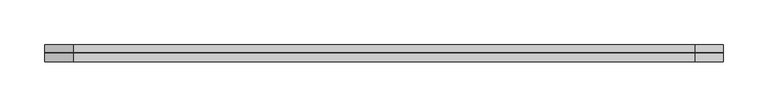
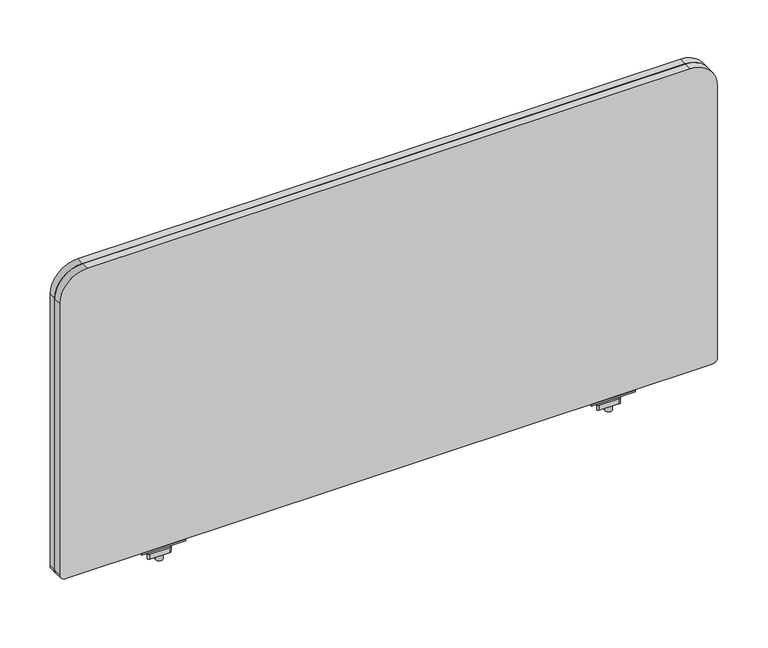
"""IFC4 building model written with IfcOpenShell, lengths in millimetres: furniture geometry."""

from ifc_helpers import new_model, si_unit, frame, origin, place, context, project, spatial, polyline, circle_curve, source, transform, mapped, element, save
from ifc_brep_helpers import plane_surface, cylinder_surface, revolved_surface, advanced_brep


def furniture_f7dd6837(model_context):
    return source(origin(), model_context, "Body", "AdvancedBrep", [
        advanced_brep(
        [(147.1673004, -29.196837, 670.6616072), (147.1673004, -33.5530914, 671.3021931), (147.1673004, -43.8905804, 671.3021931), (147.1673004, -48.246837, 670.6616072), (147.1673004, -48.246837, 668.8074326), (147.1673004, -29.196837, 668.8074326), (96.3673035, -29.196837, 670.6616072), (96.3673035, -29.196837, 668.8074326), (96.3673035, -48.246837, 668.8074326), (96.3673035, -48.246837, 670.6616072), (96.3673035, -43.8905804, 671.3021931), (96.3673035, -33.5530914, 671.3021931), (117.6745233, -38.7342719, 668.8074326), (125.6574767, -38.7342719, 668.8074326), (125.6574767, -38.7342719, 671.3021931), (117.6745233, -38.7342719, 671.3021931), (117.6745233, -38.7342719, 650.2879234), (125.6574767, -38.7342719, 650.2879234), (117.6745233, -38.7342719, 676.3883652), (125.6574767, -38.7342719, 676.3883652), (117.6745233, -38.7342719, 665.4211567), (125.6574767, -38.7342719, 665.4211567), (125.6574767, -38.7342719, 659.0711809), (117.6745233, -38.7342719, 659.0711809), (111.3499918, -33.0068357, 665.4211567), (105.1908209, -43.6748356, 665.4211567), (106.5106433, -45.9608347, 665.4211567), (129.5432346, -45.9608347, 665.4211567), (132.1828771, -44.4368361, 665.4211567), (138.3420487, -33.7688351, 665.4211567), (137.0222256, -31.4828349, 665.4211567), (113.9896383, -31.4828349, 665.4211567), (111.3499918, -33.0068357, 659.0711809), (113.9896383, -31.4828349, 659.0711809), (137.0222256, -31.4828349, 659.0711809), (138.3420487, -33.7688351, 659.0711809), (132.1828771, -44.4368361, 659.0711809), (129.5432346, -45.9608347, 659.0711809), (106.5106433, -45.9608347, 659.0711809), (105.1908209, -43.6748356, 659.0711809)],
        [
            (0, 1),
            (1, 2),
            (2, 3),
            (3, 4),
            (4, 5),
            (5, 0),
            (6, 7),
            (7, 8),
            (8, 9),
            (9, 10),
            (10, 11),
            (11, 6),
            (5, 7),
            (6, 0),
            (4, 8),
            (12, 13, circle_curve(frame((121.666, -38.7342719, 668.8074326), z_axis=(0.0, 0.0, 1.0), x_axis=(1.0, 0.0, 0.0)), 3.9914767)),
            (13, 12, circle_curve(frame((121.666, -38.7342719, 668.8074326), z_axis=(0.0, 0.0, 1.0), x_axis=(1.0, 0.0, 0.0)), 3.9914767)),
            (3, 9),
            (2, 10),
            (1, 11),
            (14, 15, circle_curve(frame((121.666, -38.7342719, 671.3021931), z_axis=(0.0, 0.0, -1.0), x_axis=(1.0, 0.0, 0.0)), 3.9914767)),
            (15, 14, circle_curve(frame((121.666, -38.7342719, 671.3021931), z_axis=(0.0, 0.0, -1.0), x_axis=(1.0, 0.0, 0.0)), 3.9914767)),
            (16, 17, circle_curve(frame((121.666, -38.7342719, 650.2879234), z_axis=(0.0, 0.0, -1.0), x_axis=(1.0, 0.0, 0.0)), 3.9914767)),
            (17, 16, circle_curve(frame((121.666, -38.7342719, 650.2879234), z_axis=(0.0, 0.0, -1.0), x_axis=(1.0, 0.0, 0.0)), 3.9914767)),
            (18, 19, circle_curve(frame((121.666, -38.7342719, 676.3883652), z_axis=(0.0, 0.0, 1.0), x_axis=(1.0, 0.0, 0.0)), 3.9914767)),
            (19, 18, circle_curve(frame((121.666, -38.7342719, 676.3883652), z_axis=(0.0, 0.0, 1.0), x_axis=(1.0, 0.0, 0.0)), 3.9914767)),
            (12, 20),
            (20, 21, circle_curve(frame((121.666, -38.7342719, 665.4211567), z_axis=(0.0, 0.0, 1.0), x_axis=(1.0, 0.0, 0.0)), 3.9914767)),
            (21, 13),
            (17, 22),
            (22, 23, circle_curve(frame((121.666, -38.7342719, 659.0711809), z_axis=(0.0, 0.0, -1.0), x_axis=(1.0, 0.0, 0.0)), 3.9914767)),
            (23, 16),
            (18, 15),
            (14, 19),
            (21, 20, circle_curve(frame((121.666, -38.7342719, 665.4211567), z_axis=(0.0, 0.0, 1.0), x_axis=(1.0, 0.0, 0.0)), 3.9914767)),
            (23, 22, circle_curve(frame((121.666, -38.7342719, 659.0711809), z_axis=(0.0, 0.0, -1.0), x_axis=(1.0, 0.0, 0.0)), 3.9914767)),
            (24, 25),
            (25, 26, circle_curve(frame((106.5106433, -44.4368352, 665.4211567), z_axis=(0.0, 0.0, 1.0), x_axis=(1.0, 0.0, 0.0)), 1.5239995)),
            (26, 27),
            (27, 28, circle_curve(frame((129.5432346, -42.9128382, 665.4211567), z_axis=(0.0, 0.0, 1.0), x_axis=(1.0, 0.0, 0.0)), 3.0479965)),
            (28, 29),
            (29, 30, circle_curve(frame((137.0222256, -33.0068351, 665.4211567), z_axis=(0.0, 0.0, 1.0), x_axis=(1.0, 0.0, 0.0)), 1.5240003)),
            (30, 31),
            (31, 24, circle_curve(frame((113.9896383, -34.5308359, 665.4211567), z_axis=(0.0, 0.0, 1.0), x_axis=(1.0, 0.0, 0.0)), 3.048001)),
            (32, 33, circle_curve(frame((113.9896383, -34.5308359, 659.0711809), z_axis=(0.0, 0.0, -1.0), x_axis=(1.0, 0.0, 0.0)), 3.048001)),
            (33, 34),
            (34, 35, circle_curve(frame((137.0222256, -33.0068351, 659.0711809), z_axis=(0.0, 0.0, -1.0), x_axis=(1.0, 0.0, 0.0)), 1.5240003)),
            (35, 36),
            (36, 37, circle_curve(frame((129.5432346, -42.9128382, 659.0711809), z_axis=(0.0, 0.0, -1.0), x_axis=(1.0, 0.0, 0.0)), 3.0479965)),
            (37, 38),
            (38, 39, circle_curve(frame((106.5106433, -44.4368352, 659.0711809), z_axis=(0.0, 0.0, -1.0), x_axis=(1.0, 0.0, 0.0)), 1.5239995)),
            (39, 32),
            (24, 32),
            (39, 25),
            (38, 26),
            (37, 27),
            (36, 28),
            (35, 29),
            (34, 30),
            (33, 31),
        ],
        [
            plane_surface(frame((147.1673004, -33.5530914, 671.3021931), z_axis=(1.0000000000000002, 0.0, 0.0), x_axis=(0.0, -0.9893604345476915, 0.14548515577749913))),
            plane_surface(frame((96.3673035, -33.5530914, 671.3021931), z_axis=(-1.0000000000000002, 0.0, 0.0), x_axis=(0.0, 0.9893604345476915, -0.14548515577749913))),
            plane_surface(frame((147.1673004, -29.196837, 668.8074326), z_axis=(0.0, 1.0, 0.0), x_axis=(-1.0, 0.0, 0.0))),
            plane_surface(frame((147.1673004, -48.246837, 668.8074326), z_axis=(0.0, 0.0, -1.0), x_axis=(-1.0, 0.0, 0.0))),
            plane_surface(frame((147.1673004, -48.246837, 670.6616072), z_axis=(0.0, -1.0, 0.0), x_axis=(-1.0, 0.0, 0.0))),
            plane_surface(frame((147.1673004, -43.8905804, 671.3021931), z_axis=(0.0, -0.1454850815406733, 0.9893604454641917), x_axis=(-1.0, 0.0, 0.0))),
            plane_surface(frame((147.1673004, -33.5530914, 671.3021931), z_axis=(0.0, 0.0, 1.0), x_axis=(-1.0, 0.0, 0.0))),
            plane_surface(frame((147.1673004, -29.196837, 670.6616072), z_axis=(0.0, 0.14548515577749913, 0.9893604345476915), x_axis=(-1.0, 0.0, 0.0))),
            plane_surface(frame((125.6574767, -38.7342719, 650.2879234), z_axis=(0.0, 0.0, -1.0), x_axis=(0.0, -1.0, 0.0))),
            plane_surface(frame((125.6574767, -38.7342719, 676.3883652), z_axis=(0.0, 0.0, 1.0), x_axis=(0.0, 1.0, 0.0))),
            cylinder_surface(frame((121.666, -38.7342719, 650.2879234), z_axis=(0.0, 0.0, 1.0), x_axis=(1.0, 0.0, 0.0)), 3.9914767),
            plane_surface(frame((105.1908201, -43.6748369, 665.4211567), z_axis=(0.0, 0.0, 1.0000000000000002), x_axis=(-0.4999998964528706, -0.8660254635673935, 0.0))),
            plane_surface(frame((105.1908201, -43.6748369, 659.0711809), z_axis=(0.0, 0.0, -1.0000000000000002), x_axis=(0.4999998964528706, 0.8660254635673935, 0.0))),
            plane_surface(frame((111.3499918, -33.0068357, 665.4211567), z_axis=(-0.8660254635673935, 0.4999998964528706, 0.0), x_axis=(0.0, 0.0, -1.0))),
            cylinder_surface(frame((106.5106433, -44.4368352, 659.0711809), z_axis=(0.0, 0.0, 1.0), x_axis=(1.0, 0.0, 0.0)), 1.5239995),
            plane_surface(frame((106.5106433, -45.9608347, 665.4211567), z_axis=(0.0, -1.0, 0.0), x_axis=(0.0, 0.0, -1.0))),
            cylinder_surface(frame((129.5432346, -42.9128382, 659.0711809), z_axis=(0.0, 0.0, 1.0), x_axis=(1.0, 0.0, 0.0)), 3.0479965),
            plane_surface(frame((132.1828771, -44.4368361, 665.4211567), z_axis=(0.8660254635674228, -0.4999998964528197, 0.0), x_axis=(0.0, 0.0, -1.0))),
            cylinder_surface(frame((137.0222256, -33.0068351, 659.0711809), z_axis=(0.0, 0.0, 1.0), x_axis=(1.0, 0.0, 0.0)), 1.5240003),
            plane_surface(frame((137.0222256, -31.4828349, 665.4211567), z_axis=(0.0, 1.0, 0.0), x_axis=(0.0, 0.0, -1.0))),
            cylinder_surface(frame((113.9896383, -34.5308359, 659.0711809), z_axis=(0.0, 0.0, 1.0), x_axis=(1.0, 0.0, 0.0)), 3.048001),
        ],
        [
            (0, [[1, 2, 3, 4, 5, 6]]),
            (1, [[7, 8, 9, 10, 11, 12]]),
            (2, [[-6, 13, -7, 14]]),
            (3, [[-5, 15, -8, -13], [16, 17]]),
            (4, [[-4, 18, -9, -15]]),
            (5, [[-3, 19, -10, -18]]),
            (6, [[-2, 20, -11, -19], [21, 22]]),
            (7, [[-1, -14, -12, -20]]),
            (8, [[23, 24]]),
            (9, [[25, 26]]),
            (10, [[-16, 27, 28, 29]]),
            (10, [[-24, 30, 31, 32]]),
            (10, [[-25, 33, -21, 34]]),
            (10, [[-17, -29, 35, -27]]),
            (10, [[-23, -32, 36, -30]]),
            (10, [[-26, -34, -22, -33]]),
            (11, [[37, 38, 39, 40, 41, 42, 43, 44], [-28, -35]]),
            (12, [[45, 46, 47, 48, 49, 50, 51, 52], [-31, -36]]),
            (13, [[-37, 53, -52, 54]]),
            (14, [[-38, -54, -51, 55]]),
            (15, [[-39, -55, -50, 56]]),
            (16, [[-40, -56, -49, 57]]),
            (17, [[-41, -57, -48, 58]]),
            (18, [[-42, -58, -47, 59]]),
            (19, [[-43, -59, -46, 60]]),
            (20, [[-44, -60, -45, -53]]),
        ],
    ),
        advanced_brep(
        [(665.8353004, -29.196837, 670.6616072), (665.8353004, -33.5530914, 671.3021931), (665.8353004, -43.8905804, 671.3021931), (665.8353004, -48.246837, 670.6616072), (665.8353004, -48.246837, 668.8074326), (665.8353004, -29.196837, 668.8074326), (615.0353035, -29.196837, 670.6616072), (615.0353035, -29.196837, 668.8074326), (615.0353035, -48.246837, 668.8074326), (615.0353035, -48.246837, 670.6616072), (615.0353035, -43.8905804, 671.3021931), (615.0353035, -33.5530914, 671.3021931), (636.3425233, -38.7342719, 668.8074326), (644.3254767, -38.7342719, 668.8074326), (644.3254767, -38.7342719, 671.3021931), (636.3425233, -38.7342719, 671.3021931), (636.3425233, -38.7342719, 650.2879234), (644.3254767, -38.7342719, 650.2879234), (636.3425233, -38.7342719, 676.3883652), (644.3254767, -38.7342719, 676.3883652), (636.3425233, -38.7342719, 665.4211567), (644.3254767, -38.7342719, 665.4211567), (644.3254767, -38.7342719, 659.0711809), (636.3425233, -38.7342719, 659.0711809), (630.0179918, -33.0068357, 665.4211567), (623.8588209, -43.6748356, 665.4211567), (625.1786433, -45.9608347, 665.4211567), (648.2112346, -45.9608347, 665.4211567), (650.8508771, -44.4368361, 665.4211567), (657.0100487, -33.7688351, 665.4211567), (655.6902256, -31.4828349, 665.4211567), (632.6576383, -31.4828349, 665.4211567), (630.0179918, -33.0068357, 659.0711809), (632.6576383, -31.4828349, 659.0711809), (655.6902256, -31.4828349, 659.0711809), (657.0100487, -33.7688351, 659.0711809), (650.8508771, -44.4368361, 659.0711809), (648.2112346, -45.9608347, 659.0711809), (625.1786433, -45.9608347, 659.0711809), (623.8588209, -43.6748356, 659.0711809)],
        [
            (0, 1),
            (1, 2),
            (2, 3),
            (3, 4),
            (4, 5),
            (5, 0),
            (6, 7),
            (7, 8),
            (8, 9),
            (9, 10),
            (10, 11),
            (11, 6),
            (5, 7),
            (6, 0),
            (4, 8),
            (12, 13, circle_curve(frame((640.334, -38.7342719, 668.8074326), z_axis=(0.0, 0.0, 1.0), x_axis=(1.0, 0.0, 0.0)), 3.9914767)),
            (13, 12, circle_curve(frame((640.334, -38.7342719, 668.8074326), z_axis=(0.0, 0.0, 1.0), x_axis=(1.0, 0.0, 0.0)), 3.9914767)),
            (3, 9),
            (2, 10),
            (1, 11),
            (14, 15, circle_curve(frame((640.334, -38.7342719, 671.3021931), z_axis=(0.0, 0.0, -1.0), x_axis=(1.0, 0.0, 0.0)), 3.9914767)),
            (15, 14, circle_curve(frame((640.334, -38.7342719, 671.3021931), z_axis=(0.0, 0.0, -1.0), x_axis=(1.0, 0.0, 0.0)), 3.9914767)),
            (16, 17, circle_curve(frame((640.334, -38.7342719, 650.2879234), z_axis=(0.0, 0.0, -1.0), x_axis=(1.0, 0.0, 0.0)), 3.9914767)),
            (17, 16, circle_curve(frame((640.334, -38.7342719, 650.2879234), z_axis=(0.0, 0.0, -1.0), x_axis=(1.0, 0.0, 0.0)), 3.9914767)),
            (18, 19, circle_curve(frame((640.334, -38.7342719, 676.3883652), z_axis=(0.0, 0.0, 1.0), x_axis=(1.0, 0.0, 0.0)), 3.9914767)),
            (19, 18, circle_curve(frame((640.334, -38.7342719, 676.3883652), z_axis=(0.0, 0.0, 1.0), x_axis=(1.0, 0.0, 0.0)), 3.9914767)),
            (12, 20),
            (20, 21, circle_curve(frame((640.334, -38.7342719, 665.4211567), z_axis=(0.0, 0.0, 1.0), x_axis=(1.0, 0.0, 0.0)), 3.9914767)),
            (21, 13),
            (17, 22),
            (22, 23, circle_curve(frame((640.334, -38.7342719, 659.0711809), z_axis=(0.0, 0.0, -1.0), x_axis=(1.0, 0.0, 0.0)), 3.9914767)),
            (23, 16),
            (18, 15),
            (14, 19),
            (21, 20, circle_curve(frame((640.334, -38.7342719, 665.4211567), z_axis=(0.0, 0.0, 1.0), x_axis=(1.0, 0.0, 0.0)), 3.9914767)),
            (23, 22, circle_curve(frame((640.334, -38.7342719, 659.0711809), z_axis=(0.0, 0.0, -1.0), x_axis=(1.0, 0.0, 0.0)), 3.9914767)),
            (24, 25),
            (25, 26, circle_curve(frame((625.1786433, -44.4368352, 665.4211567), z_axis=(0.0, 0.0, 1.0), x_axis=(1.0, 0.0, 0.0)), 1.5239995)),
            (26, 27),
            (27, 28, circle_curve(frame((648.2112346, -42.9128382, 665.4211567), z_axis=(0.0, 0.0, 1.0), x_axis=(1.0, 0.0, 0.0)), 3.0479965)),
            (28, 29),
            (29, 30, circle_curve(frame((655.6902256, -33.0068351, 665.4211567), z_axis=(0.0, 0.0, 1.0), x_axis=(1.0, 0.0, 0.0)), 1.5240003)),
            (30, 31),
            (31, 24, circle_curve(frame((632.6576383, -34.5308359, 665.4211567), z_axis=(0.0, 0.0, 1.0), x_axis=(1.0, 0.0, 0.0)), 3.048001)),
            (32, 33, circle_curve(frame((632.6576383, -34.5308359, 659.0711809), z_axis=(0.0, 0.0, -1.0), x_axis=(1.0, 0.0, 0.0)), 3.048001)),
            (33, 34),
            (34, 35, circle_curve(frame((655.6902256, -33.0068351, 659.0711809), z_axis=(0.0, 0.0, -1.0), x_axis=(1.0, 0.0, 0.0)), 1.5240003)),
            (35, 36),
            (36, 37, circle_curve(frame((648.2112346, -42.9128382, 659.0711809), z_axis=(0.0, 0.0, -1.0), x_axis=(1.0, 0.0, 0.0)), 3.0479965)),
            (37, 38),
            (38, 39, circle_curve(frame((625.1786433, -44.4368352, 659.0711809), z_axis=(0.0, 0.0, -1.0), x_axis=(1.0, 0.0, 0.0)), 1.5239995)),
            (39, 32),
            (24, 32),
            (39, 25),
            (38, 26),
            (37, 27),
            (36, 28),
            (35, 29),
            (34, 30),
            (33, 31),
        ],
        [
            plane_surface(frame((665.8353004, -33.5530914, 671.3021931), z_axis=(1.0000000000000002, 0.0, 0.0), x_axis=(0.0, -0.9893604345476915, 0.14548515577749913))),
            plane_surface(frame((615.0353035, -33.5530914, 671.3021931), z_axis=(-1.0000000000000002, 0.0, 0.0), x_axis=(0.0, 0.9893604345476915, -0.14548515577749913))),
            plane_surface(frame((665.8353004, -29.196837, 668.8074326), z_axis=(0.0, 1.0, 0.0), x_axis=(-1.0, 0.0, 0.0))),
            plane_surface(frame((665.8353004, -48.246837, 668.8074326), z_axis=(0.0, 0.0, -1.0), x_axis=(-1.0, 0.0, 0.0))),
            plane_surface(frame((665.8353004, -48.246837, 670.6616072), z_axis=(0.0, -1.0, 0.0), x_axis=(-1.0, 0.0, 0.0))),
            plane_surface(frame((665.8353004, -43.8905804, 671.3021931), z_axis=(0.0, -0.1454850815406733, 0.9893604454641917), x_axis=(-1.0, 0.0, 0.0))),
            plane_surface(frame((665.8353004, -33.5530914, 671.3021931), z_axis=(0.0, 0.0, 1.0), x_axis=(-1.0, 0.0, 0.0))),
            plane_surface(frame((665.8353004, -29.196837, 670.6616072), z_axis=(0.0, 0.14548515577749913, 0.9893604345476915), x_axis=(-1.0, 0.0, 0.0))),
            plane_surface(frame((644.3254767, -38.7342719, 650.2879234), z_axis=(0.0, 0.0, -1.0), x_axis=(0.0, -1.0, 0.0))),
            plane_surface(frame((644.3254767, -38.7342719, 676.3883652), z_axis=(0.0, 0.0, 1.0), x_axis=(0.0, 1.0, 0.0))),
            cylinder_surface(frame((640.334, -38.7342719, 650.2879234), z_axis=(0.0, 0.0, 1.0), x_axis=(1.0, 0.0, 0.0)), 3.9914767),
            plane_surface(frame((623.8588201, -43.6748369, 665.4211567), z_axis=(0.0, 0.0, 1.0000000000000002), x_axis=(-0.4999998964528706, -0.8660254635673935, 0.0))),
            plane_surface(frame((623.8588201, -43.6748369, 659.0711809), z_axis=(0.0, 0.0, -1.0000000000000002), x_axis=(0.4999998964528706, 0.8660254635673935, 0.0))),
            plane_surface(frame((630.0179918, -33.0068357, 665.4211567), z_axis=(-0.8660254635673935, 0.4999998964528706, 0.0), x_axis=(0.0, 0.0, -1.0))),
            cylinder_surface(frame((625.1786433, -44.4368352, 659.0711809), z_axis=(0.0, 0.0, 1.0), x_axis=(1.0, 0.0, 0.0)), 1.5239995),
            plane_surface(frame((625.1786433, -45.9608347, 665.4211567), z_axis=(0.0, -1.0, 0.0), x_axis=(0.0, 0.0, -1.0))),
            cylinder_surface(frame((648.2112346, -42.9128382, 659.0711809), z_axis=(0.0, 0.0, 1.0), x_axis=(1.0, 0.0, 0.0)), 3.0479965),
            plane_surface(frame((650.8508771, -44.4368361, 665.4211567), z_axis=(0.8660254635674228, -0.4999998964528197, 0.0), x_axis=(0.0, 0.0, -1.0))),
            cylinder_surface(frame((655.6902256, -33.0068351, 659.0711809), z_axis=(0.0, 0.0, 1.0), x_axis=(1.0, 0.0, 0.0)), 1.5240003),
            plane_surface(frame((655.6902256, -31.4828349, 665.4211567), z_axis=(0.0, 1.0, 0.0), x_axis=(0.0, 0.0, -1.0))),
            cylinder_surface(frame((632.6576383, -34.5308359, 659.0711809), z_axis=(0.0, 0.0, 1.0), x_axis=(1.0, 0.0, 0.0)), 3.048001),
        ],
        [
            (0, [[1, 2, 3, 4, 5, 6]]),
            (1, [[7, 8, 9, 10, 11, 12]]),
            (2, [[-6, 13, -7, 14]]),
            (3, [[-5, 15, -8, -13], [16, 17]]),
            (4, [[-4, 18, -9, -15]]),
            (5, [[-3, 19, -10, -18]]),
            (6, [[-2, 20, -11, -19], [21, 22]]),
            (7, [[-1, -14, -12, -20]]),
            (8, [[23, 24]]),
            (9, [[25, 26]]),
            (10, [[-16, 27, 28, 29]]),
            (10, [[-24, 30, 31, 32]]),
            (10, [[-25, 33, -21, 34]]),
            (10, [[-17, -29, 35, -27]]),
            (10, [[-23, -32, 36, -30]]),
            (10, [[-26, -34, -22, -33]]),
            (11, [[37, 38, 39, 40, 41, 42, 43, 44], [-28, -35]]),
            (12, [[45, 46, 47, 48, 49, 50, 51, 52], [-31, -36]]),
            (13, [[-37, 53, -52, 54]]),
            (14, [[-38, -54, -51, 55]]),
            (15, [[-39, -55, -50, 56]]),
            (16, [[-40, -56, -49, 57]]),
            (17, [[-41, -57, -48, 58]]),
            (18, [[-42, -58, -47, 59]]),
            (19, [[-43, -59, -46, 60]]),
            (20, [[-44, -60, -45, -53]]),
        ],
    ),
        advanced_brep(
        [(665.8353004, -29.196837, 670.6616072), (665.8353004, -33.5530914, 671.3021931), (665.8353004, -43.8905804, 671.3021931), (665.8353004, -48.246837, 670.6616072), (665.8353004, -48.246837, 668.8074326), (665.8353004, -29.196837, 668.8074326), (615.0353035, -29.196837, 670.6616072), (615.0353035, -29.196837, 668.8074326), (615.0353035, -48.246837, 668.8074326), (615.0353035, -48.246837, 670.6616072), (615.0353035, -43.8905804, 671.3021931), (615.0353035, -33.5530914, 671.3021931), (636.3425233, -38.7342719, 668.8074326), (644.3254767, -38.7342719, 668.8074326), (644.3254767, -38.7342719, 671.3021931), (636.3425233, -38.7342719, 671.3021931), (636.3425233, -38.7342719, 650.2879234), (644.3254767, -38.7342719, 650.2879234), (636.3425233, -38.7342719, 676.3883652), (644.3254767, -38.7342719, 676.3883652), (636.3425233, -38.7342719, 665.4211567), (644.3254767, -38.7342719, 665.4211567), (644.3254767, -38.7342719, 659.0711809), (636.3425233, -38.7342719, 659.0711809), (630.0179918, -33.0068357, 665.4211567), (623.8588209, -43.6748356, 665.4211567), (625.1786433, -45.9608347, 665.4211567), (648.2112346, -45.9608347, 665.4211567), (650.8508771, -44.4368361, 665.4211567), (657.0100487, -33.7688351, 665.4211567), (655.6902256, -31.4828349, 665.4211567), (632.6576383, -31.4828349, 665.4211567), (630.0179918, -33.0068357, 659.0711809), (632.6576383, -31.4828349, 659.0711809), (655.6902256, -31.4828349, 659.0711809), (657.0100487, -33.7688351, 659.0711809), (650.8508771, -44.4368361, 659.0711809), (648.2112346, -45.9608347, 659.0711809), (625.1786433, -45.9608347, 659.0711809), (623.8588209, -43.6748356, 659.0711809)],
        [
            (0, 1),
            (1, 2),
            (2, 3),
            (3, 4),
            (4, 5),
            (5, 0),
            (6, 7),
            (7, 8),
            (8, 9),
            (9, 10),
            (10, 11),
            (11, 6),
            (5, 7),
            (6, 0),
            (4, 8),
            (12, 13, circle_curve(frame((640.334, -38.7342719, 668.8074326), z_axis=(0.0, 0.0, 1.0), x_axis=(1.0, 0.0, 0.0)), 3.9914767)),
            (13, 12, circle_curve(frame((640.334, -38.7342719, 668.8074326), z_axis=(0.0, 0.0, 1.0), x_axis=(1.0, 0.0, 0.0)), 3.9914767)),
            (3, 9),
            (2, 10),
            (1, 11),
            (14, 15, circle_curve(frame((640.334, -38.7342719, 671.3021931), z_axis=(0.0, 0.0, -1.0), x_axis=(1.0, 0.0, 0.0)), 3.9914767)),
            (15, 14, circle_curve(frame((640.334, -38.7342719, 671.3021931), z_axis=(0.0, 0.0, -1.0), x_axis=(1.0, 0.0, 0.0)), 3.9914767)),
            (16, 17, circle_curve(frame((640.334, -38.7342719, 650.2879234), z_axis=(0.0, 0.0, -1.0), x_axis=(1.0, 0.0, 0.0)), 3.9914767)),
            (17, 16, circle_curve(frame((640.334, -38.7342719, 650.2879234), z_axis=(0.0, 0.0, -1.0), x_axis=(1.0, 0.0, 0.0)), 3.9914767)),
            (18, 19, circle_curve(frame((640.334, -38.7342719, 676.3883652), z_axis=(0.0, 0.0, 1.0), x_axis=(1.0, 0.0, 0.0)), 3.9914767)),
            (19, 18, circle_curve(frame((640.334, -38.7342719, 676.3883652), z_axis=(0.0, 0.0, 1.0), x_axis=(1.0, 0.0, 0.0)), 3.9914767)),
            (12, 20),
            (20, 21, circle_curve(frame((640.334, -38.7342719, 665.4211567), z_axis=(0.0, 0.0, 1.0), x_axis=(1.0, 0.0, 0.0)), 3.9914767)),
            (21, 13),
            (17, 22),
            (22, 23, circle_curve(frame((640.334, -38.7342719, 659.0711809), z_axis=(0.0, 0.0, -1.0), x_axis=(1.0, 0.0, 0.0)), 3.9914767)),
            (23, 16),
            (18, 15),
            (14, 19),
            (21, 20, circle_curve(frame((640.334, -38.7342719, 665.4211567), z_axis=(0.0, 0.0, 1.0), x_axis=(1.0, 0.0, 0.0)), 3.9914767)),
            (23, 22, circle_curve(frame((640.334, -38.7342719, 659.0711809), z_axis=(0.0, 0.0, -1.0), x_axis=(1.0, 0.0, 0.0)), 3.9914767)),
            (24, 25),
            (25, 26, circle_curve(frame((625.1786433, -44.4368352, 665.4211567), z_axis=(0.0, 0.0, 1.0), x_axis=(1.0, 0.0, 0.0)), 1.5239995)),
            (26, 27),
            (27, 28, circle_curve(frame((648.2112346, -42.9128382, 665.4211567), z_axis=(0.0, 0.0, 1.0), x_axis=(1.0, 0.0, 0.0)), 3.0479965)),
            (28, 29),
            (29, 30, circle_curve(frame((655.6902256, -33.0068351, 665.4211567), z_axis=(0.0, 0.0, 1.0), x_axis=(1.0, 0.0, 0.0)), 1.5240003)),
            (30, 31),
            (31, 24, circle_curve(frame((632.6576383, -34.5308359, 665.4211567), z_axis=(0.0, 0.0, 1.0), x_axis=(1.0, 0.0, 0.0)), 3.048001)),
            (32, 33, circle_curve(frame((632.6576383, -34.5308359, 659.0711809), z_axis=(0.0, 0.0, -1.0), x_axis=(1.0, 0.0, 0.0)), 3.048001)),
            (33, 34),
            (34, 35, circle_curve(frame((655.6902256, -33.0068351, 659.0711809), z_axis=(0.0, 0.0, -1.0), x_axis=(1.0, 0.0, 0.0)), 1.5240003)),
            (35, 36),
            (36, 37, circle_curve(frame((648.2112346, -42.9128382, 659.0711809), z_axis=(0.0, 0.0, -1.0), x_axis=(1.0, 0.0, 0.0)), 3.0479965)),
            (37, 38),
            (38, 39, circle_curve(frame((625.1786433, -44.4368352, 659.0711809), z_axis=(0.0, 0.0, -1.0), x_axis=(1.0, 0.0, 0.0)), 1.5239995)),
            (39, 32),
            (24, 32),
            (39, 25),
            (38, 26),
            (37, 27),
            (36, 28),
            (35, 29),
            (34, 30),
            (33, 31),
        ],
        [
            plane_surface(frame((665.8353004, -33.5530914, 671.3021931), z_axis=(1.0000000000000002, 0.0, 0.0), x_axis=(0.0, -0.9893604345476915, 0.14548515577749913))),
            plane_surface(frame((615.0353035, -33.5530914, 671.3021931), z_axis=(-1.0000000000000002, 0.0, 0.0), x_axis=(0.0, 0.9893604345476915, -0.14548515577749913))),
            plane_surface(frame((665.8353004, -29.196837, 668.8074326), z_axis=(0.0, 1.0, 0.0), x_axis=(-1.0, 0.0, 0.0))),
            plane_surface(frame((665.8353004, -48.246837, 668.8074326), z_axis=(0.0, 0.0, -1.0), x_axis=(-1.0, 0.0, 0.0))),
            plane_surface(frame((665.8353004, -48.246837, 670.6616072), z_axis=(0.0, -1.0, 0.0), x_axis=(-1.0, 0.0, 0.0))),
            plane_surface(frame((665.8353004, -43.8905804, 671.3021931), z_axis=(0.0, -0.1454850815406733, 0.9893604454641917), x_axis=(-1.0, 0.0, 0.0))),
            plane_surface(frame((665.8353004, -33.5530914, 671.3021931), z_axis=(0.0, 0.0, 1.0), x_axis=(-1.0, 0.0, 0.0))),
            plane_surface(frame((665.8353004, -29.196837, 670.6616072), z_axis=(0.0, 0.14548515577749913, 0.9893604345476915), x_axis=(-1.0, 0.0, 0.0))),
            plane_surface(frame((644.3254767, -38.7342719, 650.2879234), z_axis=(0.0, 0.0, -1.0), x_axis=(0.0, -1.0, 0.0))),
            plane_surface(frame((644.3254767, -38.7342719, 676.3883652), z_axis=(0.0, 0.0, 1.0), x_axis=(0.0, 1.0, 0.0))),
            cylinder_surface(frame((640.334, -38.7342719, 650.2879234), z_axis=(0.0, 0.0, 1.0), x_axis=(1.0, 0.0, 0.0)), 3.9914767),
            plane_surface(frame((623.8588201, -43.6748369, 665.4211567), z_axis=(0.0, 0.0, 1.0000000000000002), x_axis=(-0.4999998964528706, -0.8660254635673935, 0.0))),
            plane_surface(frame((623.8588201, -43.6748369, 659.0711809), z_axis=(0.0, 0.0, -1.0000000000000002), x_axis=(0.4999998964528706, 0.8660254635673935, 0.0))),
            plane_surface(frame((630.0179918, -33.0068357, 665.4211567), z_axis=(-0.8660254635673935, 0.4999998964528706, 0.0), x_axis=(0.0, 0.0, -1.0))),
            cylinder_surface(frame((625.1786433, -44.4368352, 659.0711809), z_axis=(0.0, 0.0, 1.0), x_axis=(1.0, 0.0, 0.0)), 1.5239995),
            plane_surface(frame((625.1786433, -45.9608347, 665.4211567), z_axis=(0.0, -1.0, 0.0), x_axis=(0.0, 0.0, -1.0))),
            cylinder_surface(frame((648.2112346, -42.9128382, 659.0711809), z_axis=(0.0, 0.0, 1.0), x_axis=(1.0, 0.0, 0.0)), 3.0479965),
            plane_surface(frame((650.8508771, -44.4368361, 665.4211567), z_axis=(0.8660254635674228, -0.4999998964528197, 0.0), x_axis=(0.0, 0.0, -1.0))),
            cylinder_surface(frame((655.6902256, -33.0068351, 659.0711809), z_axis=(0.0, 0.0, 1.0), x_axis=(1.0, 0.0, 0.0)), 1.5240003),
            plane_surface(frame((655.6902256, -31.4828349, 665.4211567), z_axis=(0.0, 1.0, 0.0), x_axis=(0.0, 0.0, -1.0))),
            cylinder_surface(frame((632.6576383, -34.5308359, 659.0711809), z_axis=(0.0, 0.0, 1.0), x_axis=(1.0, 0.0, 0.0)), 3.048001),
        ],
        [
            (0, [[1, 2, 3, 4, 5, 6]]),
            (1, [[7, 8, 9, 10, 11, 12]]),
            (2, [[-6, 13, -7, 14]]),
            (3, [[-5, 15, -8, -13], [16, 17]]),
            (4, [[-4, 18, -9, -15]]),
            (5, [[-3, 19, -10, -18]]),
            (6, [[-2, 20, -11, -19], [21, 22]]),
            (7, [[-1, -14, -12, -20]]),
            (8, [[23, 24]]),
            (9, [[25, 26]]),
            (10, [[-16, 27, 28, 29]]),
            (10, [[-24, 30, 31, 32]]),
            (10, [[-25, 33, -21, 34]]),
            (10, [[-17, -29, 35, -27]]),
            (10, [[-23, -32, 36, -30]]),
            (10, [[-26, -34, -22, -33]]),
            (11, [[37, 38, 39, 40, 41, 42, 43, 44], [-28, -35]]),
            (12, [[45, 46, 47, 48, 49, 50, 51, 52], [-31, -36]]),
            (13, [[-37, 53, -52, 54]]),
            (14, [[-38, -54, -51, 55]]),
            (15, [[-39, -55, -50, 56]]),
            (16, [[-40, -56, -49, 57]]),
            (17, [[-41, -57, -48, 58]]),
            (18, [[-42, -58, -47, 59]]),
            (19, [[-43, -59, -46, 60]]),
            (20, [[-44, -60, -45, -53]]),
        ],
    ),
        advanced_brep(
        [(147.1673004, -29.196837, 670.6616072), (147.1673004, -33.5530914, 671.3021931), (147.1673004, -43.8905804, 671.3021931), (147.1673004, -48.246837, 670.6616072), (147.1673004, -48.246837, 668.8074326), (147.1673004, -29.196837, 668.8074326), (96.3673035, -29.196837, 670.6616072), (96.3673035, -29.196837, 668.8074326), (96.3673035, -48.246837, 668.8074326), (96.3673035, -48.246837, 670.6616072), (96.3673035, -43.8905804, 671.3021931), (96.3673035, -33.5530914, 671.3021931), (117.6745233, -38.7342719, 668.8074326), (125.6574767, -38.7342719, 668.8074326), (125.6574767, -38.7342719, 671.3021931), (117.6745233, -38.7342719, 671.3021931), (117.6745233, -38.7342719, 650.2879234), (125.6574767, -38.7342719, 650.2879234), (117.6745233, -38.7342719, 676.3883652), (125.6574767, -38.7342719, 676.3883652), (117.6745233, -38.7342719, 665.4211567), (125.6574767, -38.7342719, 665.4211567), (125.6574767, -38.7342719, 659.0711809), (117.6745233, -38.7342719, 659.0711809), (111.3499918, -33.0068357, 665.4211567), (105.1908209, -43.6748356, 665.4211567), (106.5106433, -45.9608347, 665.4211567), (129.5432346, -45.9608347, 665.4211567), (132.1828771, -44.4368361, 665.4211567), (138.3420487, -33.7688351, 665.4211567), (137.0222256, -31.4828349, 665.4211567), (113.9896383, -31.4828349, 665.4211567), (111.3499918, -33.0068357, 659.0711809), (113.9896383, -31.4828349, 659.0711809), (137.0222256, -31.4828349, 659.0711809), (138.3420487, -33.7688351, 659.0711809), (132.1828771, -44.4368361, 659.0711809), (129.5432346, -45.9608347, 659.0711809), (106.5106433, -45.9608347, 659.0711809), (105.1908209, -43.6748356, 659.0711809)],
        [
            (0, 1),
            (1, 2),
            (2, 3),
            (3, 4),
            (4, 5),
            (5, 0),
            (6, 7),
            (7, 8),
            (8, 9),
            (9, 10),
            (10, 11),
            (11, 6),
            (5, 7),
            (6, 0),
            (4, 8),
            (12, 13, circle_curve(frame((121.666, -38.7342719, 668.8074326), z_axis=(0.0, 0.0, 1.0), x_axis=(1.0, 0.0, 0.0)), 3.9914767)),
            (13, 12, circle_curve(frame((121.666, -38.7342719, 668.8074326), z_axis=(0.0, 0.0, 1.0), x_axis=(1.0, 0.0, 0.0)), 3.9914767)),
            (3, 9),
            (2, 10),
            (1, 11),
            (14, 15, circle_curve(frame((121.666, -38.7342719, 671.3021931), z_axis=(0.0, 0.0, -1.0), x_axis=(1.0, 0.0, 0.0)), 3.9914767)),
            (15, 14, circle_curve(frame((121.666, -38.7342719, 671.3021931), z_axis=(0.0, 0.0, -1.0), x_axis=(1.0, 0.0, 0.0)), 3.9914767)),
            (16, 17, circle_curve(frame((121.666, -38.7342719, 650.2879234), z_axis=(0.0, 0.0, -1.0), x_axis=(1.0, 0.0, 0.0)), 3.9914767)),
            (17, 16, circle_curve(frame((121.666, -38.7342719, 650.2879234), z_axis=(0.0, 0.0, -1.0), x_axis=(1.0, 0.0, 0.0)), 3.9914767)),
            (18, 19, circle_curve(frame((121.666, -38.7342719, 676.3883652), z_axis=(0.0, 0.0, 1.0), x_axis=(1.0, 0.0, 0.0)), 3.9914767)),
            (19, 18, circle_curve(frame((121.666, -38.7342719, 676.3883652), z_axis=(0.0, 0.0, 1.0), x_axis=(1.0, 0.0, 0.0)), 3.9914767)),
            (12, 20),
            (20, 21, circle_curve(frame((121.666, -38.7342719, 665.4211567), z_axis=(0.0, 0.0, 1.0), x_axis=(1.0, 0.0, 0.0)), 3.9914767)),
            (21, 13),
            (17, 22),
            (22, 23, circle_curve(frame((121.666, -38.7342719, 659.0711809), z_axis=(0.0, 0.0, -1.0), x_axis=(1.0, 0.0, 0.0)), 3.9914767)),
            (23, 16),
            (18, 15),
            (14, 19),
            (21, 20, circle_curve(frame((121.666, -38.7342719, 665.4211567), z_axis=(0.0, 0.0, 1.0), x_axis=(1.0, 0.0, 0.0)), 3.9914767)),
            (23, 22, circle_curve(frame((121.666, -38.7342719, 659.0711809), z_axis=(0.0, 0.0, -1.0), x_axis=(1.0, 0.0, 0.0)), 3.9914767)),
            (24, 25),
            (25, 26, circle_curve(frame((106.5106433, -44.4368352, 665.4211567), z_axis=(0.0, 0.0, 1.0), x_axis=(1.0, 0.0, 0.0)), 1.5239995)),
            (26, 27),
            (27, 28, circle_curve(frame((129.5432346, -42.9128382, 665.4211567), z_axis=(0.0, 0.0, 1.0), x_axis=(1.0, 0.0, 0.0)), 3.0479965)),
            (28, 29),
            (29, 30, circle_curve(frame((137.0222256, -33.0068351, 665.4211567), z_axis=(0.0, 0.0, 1.0), x_axis=(1.0, 0.0, 0.0)), 1.5240003)),
            (30, 31),
            (31, 24, circle_curve(frame((113.9896383, -34.5308359, 665.4211567), z_axis=(0.0, 0.0, 1.0), x_axis=(1.0, 0.0, 0.0)), 3.048001)),
            (32, 33, circle_curve(frame((113.9896383, -34.5308359, 659.0711809), z_axis=(0.0, 0.0, -1.0), x_axis=(1.0, 0.0, 0.0)), 3.048001)),
            (33, 34),
            (34, 35, circle_curve(frame((137.0222256, -33.0068351, 659.0711809), z_axis=(0.0, 0.0, -1.0), x_axis=(1.0, 0.0, 0.0)), 1.5240003)),
            (35, 36),
            (36, 37, circle_curve(frame((129.5432346, -42.9128382, 659.0711809), z_axis=(0.0, 0.0, -1.0), x_axis=(1.0, 0.0, 0.0)), 3.0479965)),
            (37, 38),
            (38, 39, circle_curve(frame((106.5106433, -44.4368352, 659.0711809), z_axis=(0.0, 0.0, -1.0), x_axis=(1.0, 0.0, 0.0)), 1.5239995)),
            (39, 32),
            (24, 32),
            (39, 25),
            (38, 26),
            (37, 27),
            (36, 28),
            (35, 29),
            (34, 30),
            (33, 31),
        ],
        [
            plane_surface(frame((147.1673004, -33.5530914, 671.3021931), z_axis=(1.0000000000000002, 0.0, 0.0), x_axis=(0.0, -0.9893604345476915, 0.14548515577749913))),
            plane_surface(frame((96.3673035, -33.5530914, 671.3021931), z_axis=(-1.0000000000000002, 0.0, 0.0), x_axis=(0.0, 0.9893604345476915, -0.14548515577749913))),
            plane_surface(frame((147.1673004, -29.196837, 668.8074326), z_axis=(0.0, 1.0, 0.0), x_axis=(-1.0, 0.0, 0.0))),
            plane_surface(frame((147.1673004, -48.246837, 668.8074326), z_axis=(0.0, 0.0, -1.0), x_axis=(-1.0, 0.0, 0.0))),
            plane_surface(frame((147.1673004, -48.246837, 670.6616072), z_axis=(0.0, -1.0, 0.0), x_axis=(-1.0, 0.0, 0.0))),
            plane_surface(frame((147.1673004, -43.8905804, 671.3021931), z_axis=(0.0, -0.1454850815406733, 0.9893604454641917), x_axis=(-1.0, 0.0, 0.0))),
            plane_surface(frame((147.1673004, -33.5530914, 671.3021931), z_axis=(0.0, 0.0, 1.0), x_axis=(-1.0, 0.0, 0.0))),
            plane_surface(frame((147.1673004, -29.196837, 670.6616072), z_axis=(0.0, 0.14548515577749913, 0.9893604345476915), x_axis=(-1.0, 0.0, 0.0))),
            plane_surface(frame((125.6574767, -38.7342719, 650.2879234), z_axis=(0.0, 0.0, -1.0), x_axis=(0.0, -1.0, 0.0))),
            plane_surface(frame((125.6574767, -38.7342719, 676.3883652), z_axis=(0.0, 0.0, 1.0), x_axis=(0.0, 1.0, 0.0))),
            cylinder_surface(frame((121.666, -38.7342719, 650.2879234), z_axis=(0.0, 0.0, 1.0), x_axis=(1.0, 0.0, 0.0)), 3.9914767),
            plane_surface(frame((105.1908201, -43.6748369, 665.4211567), z_axis=(0.0, 0.0, 1.0000000000000002), x_axis=(-0.4999998964528706, -0.8660254635673935, 0.0))),
            plane_surface(frame((105.1908201, -43.6748369, 659.0711809), z_axis=(0.0, 0.0, -1.0000000000000002), x_axis=(0.4999998964528706, 0.8660254635673935, 0.0))),
            plane_surface(frame((111.3499918, -33.0068357, 665.4211567), z_axis=(-0.8660254635673935, 0.4999998964528706, 0.0), x_axis=(0.0, 0.0, -1.0))),
            cylinder_surface(frame((106.5106433, -44.4368352, 659.0711809), z_axis=(0.0, 0.0, 1.0), x_axis=(1.0, 0.0, 0.0)), 1.5239995),
            plane_surface(frame((106.5106433, -45.9608347, 665.4211567), z_axis=(0.0, -1.0, 0.0), x_axis=(0.0, 0.0, -1.0))),
            cylinder_surface(frame((129.5432346, -42.9128382, 659.0711809), z_axis=(0.0, 0.0, 1.0), x_axis=(1.0, 0.0, 0.0)), 3.0479965),
            plane_surface(frame((132.1828771, -44.4368361, 665.4211567), z_axis=(0.8660254635674228, -0.4999998964528197, 0.0), x_axis=(0.0, 0.0, -1.0))),
            cylinder_surface(frame((137.0222256, -33.0068351, 659.0711809), z_axis=(0.0, 0.0, 1.0), x_axis=(1.0, 0.0, 0.0)), 1.5240003),
            plane_surface(frame((137.0222256, -31.4828349, 665.4211567), z_axis=(0.0, 1.0, 0.0), x_axis=(0.0, 0.0, -1.0))),
            cylinder_surface(frame((113.9896383, -34.5308359, 659.0711809), z_axis=(0.0, 0.0, 1.0), x_axis=(1.0, 0.0, 0.0)), 3.048001),
        ],
        [
            (0, [[1, 2, 3, 4, 5, 6]]),
            (1, [[7, 8, 9, 10, 11, 12]]),
            (2, [[-6, 13, -7, 14]]),
            (3, [[-5, 15, -8, -13], [16, 17]]),
            (4, [[-4, 18, -9, -15]]),
            (5, [[-3, 19, -10, -18]]),
            (6, [[-2, 20, -11, -19], [21, 22]]),
            (7, [[-1, -14, -12, -20]]),
            (8, [[23, 24]]),
            (9, [[25, 26]]),
            (10, [[-16, 27, 28, 29]]),
            (10, [[-24, 30, 31, 32]]),
            (10, [[-25, 33, -21, 34]]),
            (10, [[-17, -29, 35, -27]]),
            (10, [[-23, -32, 36, -30]]),
            (10, [[-26, -34, -22, -33]]),
            (11, [[37, 38, 39, 40, 41, 42, 43, 44], [-28, -35]]),
            (12, [[45, 46, 47, 48, 49, 50, 51, 52], [-31, -36]]),
            (13, [[-37, 53, -52, 54]]),
            (14, [[-38, -54, -51, 55]]),
            (15, [[-39, -55, -50, 56]]),
            (16, [[-40, -56, -49, 57]]),
            (17, [[-41, -57, -48, 58]]),
            (18, [[-42, -58, -47, 59]]),
            (19, [[-43, -59, -46, 60]]),
            (20, [[-44, -60, -45, -53]]),
        ],
    ),
        advanced_brep(
        [(1.524, -39.0006475, 677.6986292), (7.874, -39.0006475, 671.3486292), (7.874, -48.2716273, 671.3486292), (1.524, -48.2716273, 677.6986292), (2.2976108, -38.7342719, 677.6986292), (7.874, -38.7342719, 672.12224), (1.524, -38.4678963, 677.6986292), (7.874, -38.4678963, 671.3486292), (1.524, -29.1969165, 677.6986292), (7.874, -29.1969165, 671.3486292), (1.524, -48.2716273, 1008.9145313), (1.524, -39.0006475, 1008.9145313), (2.2976108, -38.7342719, 1008.9145313), (1.524, -38.4678963, 1008.9145313), (1.524, -29.1969165, 1008.9145313), (33.274, -48.2716273, 1040.6645313), (33.274, -39.0006475, 1040.6645313), (33.274, -38.7342719, 1039.8909205), (33.274, -38.4678963, 1040.6645313), (33.274, -29.1969165, 1040.6645313), (728.7255291, -48.2716273, 1040.6645313), (728.7255291, -39.0006475, 1040.6645313), (728.7255291, -38.7342719, 1039.8909205), (728.7255291, -38.4678963, 1040.6645313), (728.7255291, -29.1969165, 1040.6645313), (760.4755291, -48.2716273, 1008.9145313), (760.4755291, -39.0006475, 1008.9145313), (759.7019183, -38.7342719, 1008.9145313), (760.4755291, -38.4678963, 1008.9145313), (760.4755291, -29.1969165, 1008.9145313), (760.4755291, -48.2716273, 677.6986292), (760.4755291, -39.0006475, 677.6986292), (759.7019183, -38.7342719, 677.6986292), (760.4755291, -38.4678963, 677.6986292), (760.4755291, -29.1969165, 677.6986292), (754.1255291, -48.2716273, 671.3486292), (754.1255291, -39.0006475, 671.3486292), (754.1255291, -38.7342719, 672.12224), (754.1255291, -38.4678963, 671.3486292), (754.1255291, -29.1969165, 671.3486292)],
        [
            (0, 1, circle_curve(frame((7.874, -39.0006475, 677.6986292), z_axis=(0.0, -1.0, 0.0), x_axis=(0.0, 0.0, -1.0)), 6.35)),
            (1, 2),
            (2, 3, circle_curve(frame((7.874, -48.2716273, 677.6986292), z_axis=(0.0, 1.0, 0.0), x_axis=(0.0, 0.0, -1.0)), 6.35)),
            (3, 0),
            (0, 4),
            (4, 5, circle_curve(frame((7.874, -38.7342719, 677.6986292), z_axis=(0.0, -1.0, 0.0), x_axis=(0.0, 0.0, -1.0)), 5.5763892)),
            (5, 1),
            (4, 6),
            (6, 7, circle_curve(frame((7.874, -38.4678963, 677.6986292), z_axis=(0.0, -1.0, 0.0), x_axis=(0.0, 0.0, -1.0)), 6.35)),
            (7, 5),
            (6, 8),
            (8, 9, circle_curve(frame((7.874, -29.1969165, 677.6986292), z_axis=(0.0, -1.0, 0.0), x_axis=(0.0, 0.0, -1.0)), 6.35)),
            (9, 7),
            (3, 10),
            (10, 11),
            (11, 0),
            (11, 12),
            (12, 4),
            (12, 13),
            (13, 6),
            (13, 14),
            (14, 8),
            (10, 15, circle_curve(frame((33.274, -48.2716273, 1008.9145313), z_axis=(0.0, 1.0, 0.0), x_axis=(-1.0, 0.0, 0.0)), 31.75)),
            (15, 16),
            (16, 11, circle_curve(frame((33.274, -39.0006475, 1008.9145313), z_axis=(0.0, -1.0, 0.0), x_axis=(-1.0, 0.0, 0.0)), 31.75)),
            (16, 17),
            (17, 12, circle_curve(frame((33.274, -38.7342719, 1008.9145313), z_axis=(0.0, -1.0, 0.0), x_axis=(-1.0, 0.0, 0.0)), 30.9763892)),
            (17, 18),
            (18, 13, circle_curve(frame((33.274, -38.4678963, 1008.9145313), z_axis=(0.0, -1.0, 0.0), x_axis=(-1.0, 0.0, 0.0)), 31.75)),
            (18, 19),
            (19, 14, circle_curve(frame((33.274, -29.1969165, 1008.9145313), z_axis=(0.0, -1.0, 0.0), x_axis=(-1.0, 0.0, 0.0)), 31.75)),
            (15, 20),
            (20, 21),
            (21, 16),
            (21, 22),
            (22, 17),
            (22, 23),
            (23, 18),
            (23, 24),
            (24, 19),
            (20, 25, circle_curve(frame((728.7255291, -48.2716273, 1008.9145313), z_axis=(0.0, 1.0, 0.0), x_axis=(0.0, 0.0, 1.0)), 31.75)),
            (25, 26),
            (26, 21, circle_curve(frame((728.7255291, -39.0006475, 1008.9145313), z_axis=(0.0, -1.0, 0.0), x_axis=(0.0, 0.0, 1.0)), 31.75)),
            (26, 27),
            (27, 22, circle_curve(frame((728.7255291, -38.7342719, 1008.9145313), z_axis=(0.0, -1.0, 0.0), x_axis=(0.0, 0.0, 1.0)), 30.9763892)),
            (27, 28),
            (28, 23, circle_curve(frame((728.7255291, -38.4678963, 1008.9145313), z_axis=(0.0, -1.0, 0.0), x_axis=(0.0, 0.0, 1.0)), 31.75)),
            (28, 29),
            (29, 24, circle_curve(frame((728.7255291, -29.1969165, 1008.9145313), z_axis=(0.0, -1.0, 0.0), x_axis=(0.0, 0.0, 1.0)), 31.75)),
            (25, 30),
            (30, 31),
            (31, 26),
            (31, 32),
            (32, 27),
            (32, 33),
            (33, 28),
            (33, 34),
            (34, 29),
            (30, 35, circle_curve(frame((754.1255291, -48.2716273, 677.6986292), z_axis=(0.0, 1.0, 0.0), x_axis=(1.0, 0.0, 0.0)), 6.35)),
            (35, 36),
            (36, 31, circle_curve(frame((754.1255291, -39.0006475, 677.6986292), z_axis=(0.0, -1.0, 0.0), x_axis=(1.0, 0.0, 0.0)), 6.35)),
            (36, 37),
            (37, 32, circle_curve(frame((754.1255291, -38.7342719, 677.6986292), z_axis=(0.0, -1.0, 0.0), x_axis=(1.0, 0.0, 0.0)), 5.5763892)),
            (37, 38),
            (38, 33, circle_curve(frame((754.1255291, -38.4678963, 677.6986292), z_axis=(0.0, -1.0, 0.0), x_axis=(1.0, 0.0, 0.0)), 6.35)),
            (38, 39),
            (39, 34, circle_curve(frame((754.1255291, -29.1969165, 677.6986292), z_axis=(0.0, -1.0, 0.0), x_axis=(1.0, 0.0, 0.0)), 6.35)),
            (39, 9),
            (2, 35),
            (1, 36),
            (5, 37),
            (7, 38),
        ],
        [
            cylinder_surface(frame((7.874, -38.7342719, 677.6986292), z_axis=(0.0, 1.0, 0.0), x_axis=(0.0, 0.0, -1.0)), 6.35),
            revolved_surface(polyline([(7.874, -39.0006475, 671.3486292), (7.874, -38.7342719, 672.12224)]), (7.874, -38.7342719, 677.6986292), (0.0, 1.0, 0.0)),
            revolved_surface(polyline([(7.874, -38.7342719, 672.12224), (7.874, -38.4678963, 671.3486292)]), (7.874, -38.7342719, 677.6986292), (0.0, 1.0, 0.0)),
            plane_surface(frame((1.524, -48.2716273, 677.6986292), z_axis=(-1.0, 0.0, 0.0), x_axis=(0.0, 0.0, 1.0))),
            plane_surface(frame((1.524, -39.0006475, 677.6986292), z_axis=(-0.32556815445506515, 0.945518575600037, 0.0), x_axis=(0.0, 0.0, 1.0))),
            plane_surface(frame((2.2976108, -38.7342719, 677.6986292), z_axis=(-0.3255681544571603, -0.9455185755993156, 0.0), x_axis=(0.0, 0.0, 1.0))),
            plane_surface(frame((1.524, -38.4678963, 677.6986292), z_axis=(-1.0, 0.0, 0.0), x_axis=(0.0, 0.0, 1.0))),
            cylinder_surface(frame((33.274, -38.7342719, 1008.9145313), z_axis=(0.0, 1.0, 0.0), x_axis=(-1.0, 0.0, 0.0)), 31.75),
            revolved_surface(polyline([(1.524, -39.0006475, 1008.9145313), (2.2976108, -38.7342719, 1008.9145313)]), (33.274, -38.7342719, 1008.9145313), (0.0, 1.0, 0.0)),
            revolved_surface(polyline([(2.2976108, -38.7342719, 1008.9145313), (1.524, -38.4678963, 1008.9145313)]), (33.274, -38.7342719, 1008.9145313), (0.0, 1.0, 0.0)),
            plane_surface(frame((33.274, -48.2716273, 1040.6645313), z_axis=(0.0, 0.0, 1.0), x_axis=(1.0, 0.0, 0.0))),
            plane_surface(frame((33.274, -39.0006475, 1040.6645313), z_axis=(0.0, 0.945518575600036, 0.3255681544550682), x_axis=(1.0, 0.0, 0.0))),
            plane_surface(frame((33.274, -38.7342719, 1039.8909205), z_axis=(0.0, -0.9455185755993166, 0.32556815445715725), x_axis=(1.0, 0.0, 0.0))),
            plane_surface(frame((33.274, -38.4678963, 1040.6645313), z_axis=(0.0, 0.0, 1.0), x_axis=(1.0, 0.0, 0.0))),
            cylinder_surface(frame((728.7255291, -38.7342719, 1008.9145313), z_axis=(0.0, 1.0, 0.0), x_axis=(0.0, 0.0, 1.0)), 31.75),
            revolved_surface(polyline([(728.7255291, -39.0006475, 1040.6645313), (728.7255291, -38.7342719, 1039.8909205)]), (728.7255291, -38.7342719, 1008.9145313), (0.0, 1.0, 0.0)),
            revolved_surface(polyline([(728.7255291, -38.7342719, 1039.8909205), (728.7255291, -38.4678963, 1040.6645313)]), (728.7255291, -38.7342719, 1008.9145313), (0.0, 1.0, 0.0)),
            plane_surface(frame((760.4755291, -48.2716273, 1008.9145313), z_axis=(1.0, 0.0, 0.0), x_axis=(0.0, 0.0, -1.0))),
            plane_surface(frame((760.4755291, -39.0006475, 1008.9145313), z_axis=(0.32556815445507126, 0.945518575600035, 0.0), x_axis=(0.0, 0.0, -1.0))),
            plane_surface(frame((759.7019183, -38.7342719, 1008.9145313), z_axis=(0.3255681544571542, -0.9455185755993176, 0.0), x_axis=(0.0, 0.0, -1.0))),
            plane_surface(frame((760.4755291, -38.4678963, 1008.9145313), z_axis=(1.0, 0.0, 0.0), x_axis=(0.0, 0.0, -1.0))),
            cylinder_surface(frame((754.1255291, -38.7342719, 677.6986292), z_axis=(0.0, 1.0, 0.0), x_axis=(1.0, 0.0, 0.0)), 6.35),
            revolved_surface(polyline([(760.4755291, -39.0006475, 677.6986292), (759.7019183, -38.7342719, 677.6986292)]), (754.1255291, -38.7342719, 677.6986292), (0.0, 1.0, 0.0)),
            revolved_surface(polyline([(759.7019183, -38.7342719, 677.6986292), (760.4755291, -38.4678963, 677.6986292)]), (754.1255291, -38.7342719, 677.6986292), (0.0, 1.0, 0.0)),
            plane_surface(frame((754.1255291, -29.1969165, 671.3486292), z_axis=(0.0, 1.0, 0.0), x_axis=(-1.0, 0.0, 0.0))),
            plane_surface(frame((754.1255291, -48.2716273, 674.1633557), z_axis=(0.0, -1.0, 0.0), x_axis=(-1.0, 0.0, 0.0))),
            plane_surface(frame((754.1255291, -48.2716273, 671.3486292), z_axis=(0.0, 0.0, -1.0), x_axis=(-1.0, 0.0, 0.0))),
            plane_surface(frame((754.1255291, -39.0006475, 671.3486292), z_axis=(0.0, 0.945518575600036, -0.3255681544550682), x_axis=(-1.0, 0.0, 0.0))),
            plane_surface(frame((754.1255291, -38.7342719, 672.12224), z_axis=(0.0, -0.9455185755993166, -0.32556815445715725), x_axis=(-1.0, 0.0, 0.0))),
            plane_surface(frame((754.1255291, -38.4678963, 671.3486292), z_axis=(0.0, 0.0, -1.0), x_axis=(-1.0, 0.0, 0.0))),
        ],
        [
            (0, [[1, 2, 3, 4]]),
            (1, [[-1, 5, 6, 7]]),
            (2, [[-6, 8, 9, 10]]),
            (0, [[-9, 11, 12, 13]]),
            (3, [[-4, 14, 15, 16]]),
            (4, [[-5, -16, 17, 18]]),
            (5, [[-8, -18, 19, 20]]),
            (6, [[-11, -20, 21, 22]]),
            (7, [[-15, 23, 24, 25]]),
            (8, [[-17, -25, 26, 27]]),
            (9, [[-19, -27, 28, 29]]),
            (7, [[-21, -29, 30, 31]]),
            (10, [[-24, 32, 33, 34]]),
            (11, [[-26, -34, 35, 36]]),
            (12, [[-28, -36, 37, 38]]),
            (13, [[-30, -38, 39, 40]]),
            (14, [[-33, 41, 42, 43]]),
            (15, [[-35, -43, 44, 45]]),
            (16, [[-37, -45, 46, 47]]),
            (14, [[-39, -47, 48, 49]]),
            (17, [[-42, 50, 51, 52]]),
            (18, [[-44, -52, 53, 54]]),
            (19, [[-46, -54, 55, 56]]),
            (20, [[-48, -56, 57, 58]]),
            (21, [[-51, 59, 60, 61]]),
            (22, [[-53, -61, 62, 63]]),
            (23, [[-55, -63, 64, 65]]),
            (21, [[-57, -65, 66, 67]]),
            (24, [[-12, -22, -31, -40, -49, -58, -67, 68]]),
            (25, [[-3, 69, -59, -50, -41, -32, -23, -14]]),
            (26, [[-2, 70, -60, -69]]),
            (27, [[-7, 71, -62, -70]]),
            (28, [[-10, 72, -64, -71]]),
            (29, [[-13, -68, -66, -72]]),
        ],
    ),
    ])


if __name__ == "__main__":
    model = new_model("IFC4")
    model_context = context("Model", 3, world=origin())
    ifc_project = project(units=[si_unit("LENGTHUNIT", "METRE", prefix="MILLI")], contexts=[model_context])
    site = spatial("IfcSite", under=ifc_project)
    building = spatial("IfcBuilding", under=site)
    placement = place(None, origin())
    furniture_shape = furniture_f7dd6837(model_context)
    element("IfcFurniture", 1, at=placement, inside=building, context=model_context, shape_type="MappedRepresentation", body=[
        mapped(furniture_shape, transform((0.0, 0.0, 0.0), x_axis=(1.0, 0.0, 0.0), y_axis=(0.0, 1.0, 0.0), z_axis=(0.0, 0.0, 1.0))),
    ])
    save(model, "model.ifc")
